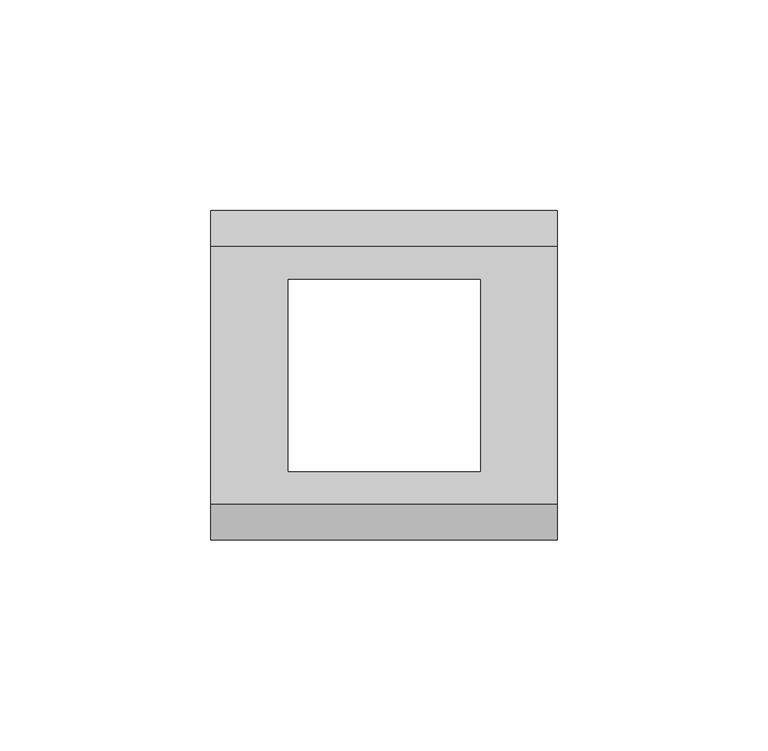
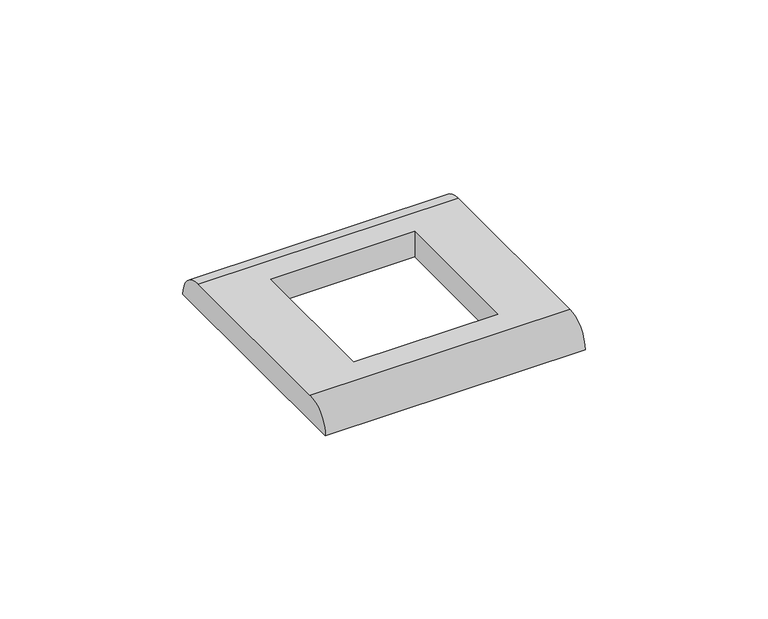
"""IFC4 building model written with IfcOpenShell, lengths in millimetres: proxy geometry."""

import ifcopenshell
import ifcopenshell.guid

model = None  # the IFC model being written
_history = None  # IfcOwnerHistory: only IFC2X3 demands one
_inside = {}  # id of a spatial element -> (the spatial element, [elements in it])
_under = {}  # id of a project, library or spatial element -> (it, [spatial elements below it])
_declared = {}  # id of a project -> (the project, [libraries it declares])
_typed = {}  # id of a type object -> (the type object, [elements of that type])
_made_of = {}  # id of a material, layer set ... -> (it, [elements and type objects made of it])


def new_model(schema):
    """Start an empty IFC model of exactly this schema.

    Asked for "IFC4X3", IfcOpenShell would pick the latest addendum, in which some entities
    have other attributes; the version numbers below select the first issue.
    IFC2X3 requires an IfcOwnerHistory on every rooted entity: one is made here for all.
    """
    global model, _history
    if schema == "IFC4X3":
        model = ifcopenshell.file(schema_version=(4, 3, 0, 0))
    else:
        model = ifcopenshell.file(schema=schema)
    _inside.clear()
    _under.clear()
    _declared.clear()
    _typed.clear()
    _made_of.clear()
    _history = None
    if model.schema == "IFC2X3":
        org = make("IfcOrganization", Name="unknown")
        user = make(
            "IfcPersonAndOrganization",
            ThePerson=make("IfcPerson", FamilyName="unknown"),
            TheOrganization=org,
        )
        app = make(
            "IfcApplication",
            ApplicationDeveloper=org,
            Version="unknown",
            ApplicationFullName="unknown",
            ApplicationIdentifier="unknown",
        )
        _history = make(
            "IfcOwnerHistory",
            OwningUser=user,
            OwningApplication=app,
            ChangeAction="ADDED",
            CreationDate=0,
        )
    return model


def make(cls, **values):
    """One entity of the class cls with the attributes given. An attribute that is None is left unset."""
    return model.create_entity(
        cls, **{name: value for name, value in values.items() if value is not None}
    )


def rooted(cls, **values):
    """An entity with a GlobalId (a new one), such as an element, a storey or a relation."""
    return make(cls, GlobalId=ifcopenshell.guid.new(), OwnerHistory=_history, **values)


def si_unit(unit_type, name, prefix=None):
    """IfcSIUnit, for example si_unit("LENGTHUNIT", "METRE", prefix="MILLI")."""
    return make("IfcSIUnit", UnitType=unit_type, Prefix=prefix, Name=name)


def assignment(units):
    """IfcUnitAssignment: the units of a project."""
    return None if units is None else make("IfcUnitAssignment", Units=units)


def point(xyz):
    """IfcCartesianPoint."""
    return None if xyz is None else make("IfcCartesianPoint", Coordinates=xyz)


def direction(xyz):
    """IfcDirection."""
    return None if xyz is None else make("IfcDirection", DirectionRatios=xyz)


def frame(location, z_axis=None, x_axis=None):
    """IfcAxis2Placement3D, a coordinate frame: its origin and axes. An axis left out is left unset."""
    return make(
        "IfcAxis2Placement3D",
        Location=point(location),
        Axis=direction(z_axis),
        RefDirection=direction(x_axis),
    )


def origin():
    """The frame at (0, 0, 0) with its axes left unset."""
    return frame((0.0, 0.0, 0.0))


def place(relative_to, where):
    """IfcLocalPlacement: puts the frame where relative to a parent placement (None: the world)."""
    return make(
        "IfcLocalPlacement", PlacementRelTo=relative_to, RelativePlacement=where
    )


def context(
    kind, dimensions, precision=None, world=None, true_north=None, identifier=None
):
    """IfcGeometricRepresentationContext, for example the 3D "Model" context."""
    return make(
        "IfcGeometricRepresentationContext",
        ContextIdentifier=identifier,
        ContextType=kind,
        CoordinateSpaceDimension=dimensions,
        Precision=precision,
        WorldCoordinateSystem=world,
        TrueNorth=true_north,
    )


def project(units=None, contexts=None):
    """IfcProject with its units and contexts."""
    return rooted(
        "IfcProject",
        Name="project",
        RepresentationContexts=contexts,
        UnitsInContext=assignment(units),
    )


def spatial(cls, under=None, at=None, **own):
    """A site, building, storey or space (cls), placed at a placement, below another one or the project."""
    s = rooted(cls, ObjectPlacement=at, **own)
    if under is not None:
        _under.setdefault(under.id(), (under, []))[1].append(s)
    return s


def circle_curve(where, radius):
    """IfcCircle in the frame where."""
    return make("IfcCircle", Position=where, Radius=radius)


def shape(context_of_items, identifier, shape_type, items):
    """IfcShapeRepresentation: the items that make up one representation, for example the "Body"."""
    return make(
        "IfcShapeRepresentation",
        ContextOfItems=context_of_items,
        RepresentationIdentifier=identifier,
        RepresentationType=shape_type,
        Items=items,
    )


def source(mapping_origin, context_of_items, identifier, shape_type, items):
    """IfcRepresentationMap: a shape defined once, which mapped items show again and again."""
    return make(
        "IfcRepresentationMap",
        MappingOrigin=mapping_origin,
        MappedRepresentation=shape(context_of_items, identifier, shape_type, items),
    )


def transform(
    local_origin,
    x_axis=None,
    y_axis=None,
    z_axis=None,
    scale=None,
    scale2=None,
    scale3=None,
    uniform=True,
):
    """IfcCartesianTransformationOperator3D, or its non-uniform kind. x_axis, y_axis, z_axis: its Axis1, 2, 3."""
    if uniform:
        return make(
            "IfcCartesianTransformationOperator3D",
            Axis1=direction(x_axis),
            Axis2=direction(y_axis),
            LocalOrigin=point(local_origin),
            Scale=scale,
            Axis3=direction(z_axis),
        )
    return make(
        "IfcCartesianTransformationOperator3DnonUniform",
        Axis1=direction(x_axis),
        Axis2=direction(y_axis),
        LocalOrigin=point(local_origin),
        Scale=scale,
        Axis3=direction(z_axis),
        Scale2=scale2,
        Scale3=scale3,
    )


def mapped(mapping_source, mapping_target):
    """IfcMappedItem: shows the shape of a source again, moved by a transform."""
    return make(
        "IfcMappedItem", MappingSource=mapping_source, MappingTarget=mapping_target
    )


def made_of(thing, what):
    """Note that an element or type object is made of a material, layer set ...; save() writes the relation."""
    if what is not None:
        _made_of.setdefault(what.id(), (what, []))[1].append(thing)
    return thing


def element(
    cls,
    number,
    at=None,
    inside=None,
    cuts=None,
    type_object=None,
    material=None,
    context=None,
    identifier="Body",
    shape_type=None,
    held_by="IfcProductDefinitionShape",
    body=None,
    shapes=None,
    **own,
):
    """One element of the class cls, such as IfcWall. Its Tag is "e" and its number.

    at: its placement. inside: the storey or other place that contains it. cuts: it is an
    opening in that element (IfcRelVoidsElement). A single representation is given by context,
    identifier, shape_type and body (its items); several are given by shapes. held_by: the class
    of the entity that holds the representations. save() writes the other relations.
    """
    e = rooted(cls, Tag="e%d" % number, ObjectPlacement=at, **own)
    if body is not None:
        shapes = [shape(context, identifier, shape_type, body)]
    if shapes is not None:
        e.Representation = make(held_by, Representations=shapes)
    if inside is not None:
        _inside.setdefault(inside.id(), (inside, []))[1].append(e)
    if cuts is not None:
        rooted(
            "IfcRelVoidsElement", RelatingBuildingElement=cuts, RelatedOpeningElement=e
        )
    if type_object is not None:
        _typed.setdefault(type_object.id(), (type_object, []))[1].append(e)
    return made_of(e, material)


def aggregate(whole, parts):
    """IfcRelAggregates: a whole, such as a stair, and the parts it consists of."""
    return rooted("IfcRelAggregates", RelatingObject=whole, RelatedObjects=parts)


def save(model, path):
    """Write the relations noted so far, then the file.

    IfcRelAggregates (storeys below a building ...), IfcRelContainedInSpatialStructure (elements
    in a storey), IfcRelDefinesByType, IfcRelAssociatesMaterial and IfcRelDeclares: one each for
    every whole, place, type object, material and project.
    """
    for whole, parts in _under.values():
        aggregate(whole, parts)
    for where, things in _inside.values():
        rooted(
            "IfcRelContainedInSpatialStructure",
            RelatedElements=things,
            RelatingStructure=where,
        )
    for kind, things in _typed.values():
        rooted("IfcRelDefinesByType", RelatedObjects=things, RelatingType=kind)
    for what, things in _made_of.values():
        rooted("IfcRelAssociatesMaterial", RelatedObjects=things, RelatingMaterial=what)
    for by, libraries in _declared.values():
        rooted("IfcRelDeclares", RelatingContext=by, RelatedDefinitions=libraries)
    model.write(path)


def plane_surface(at):
    """IfcPlane: the flat surface through the origin of the frame at, square to its z axis."""
    return make("IfcPlane", Position=at)


def cylinder_surface(at, radius):
    """IfcCylindricalSurface: all points at the distance radius from the z axis of the frame at."""
    return make("IfcCylindricalSurface", Position=at, Radius=radius)


def advanced_brep(points, edges, surfaces, faces):
    """IfcAdvancedBrep: a solid bounded by faces that lie on surfaces and meet in shared edges.

    An edge is (start, end): straight between two places in points (the first is 0);
    or (start, end, curve); or (start, end, curve, False) where it runs against its curve.
    A face is (place in surfaces, loops), or (place, loops, False) where it looks against
    its surface's normal. A loop lists edges by number (the first is 1), with a minus sign
    where the edge is run from its end to its start. The first loop is the outer one.
    """
    corners = [point(p) for p in points]
    vertices = [make("IfcVertexPoint", VertexGeometry=c) for c in corners]
    made = []
    for start, end, *more in edges:
        made.append(
            make(
                "IfcEdgeCurve",
                EdgeStart=vertices[start],
                EdgeEnd=vertices[end],
                EdgeGeometry=more[0] if more else make("IfcPolyline", Points=[corners[start], corners[end]]),
                SameSense=more[1] if len(more) > 1 else True,
            )
        )
    hull = []
    for where, loops, *sense in faces:
        bounds = []
        for j, loop in enumerate(loops):
            ring = [make("IfcOrientedEdge", EdgeElement=made[abs(k) - 1], Orientation=k > 0) for k in loop]
            bounds.append(
                make(
                    "IfcFaceOuterBound" if j == 0 else "IfcFaceBound",
                    Bound=make("IfcEdgeLoop", EdgeList=ring),
                    Orientation=True,
                )
            )
        hull.append(make("IfcAdvancedFace", Bounds=bounds, FaceSurface=surfaces[where], SameSense=sense[0] if sense else True))
    return make("IfcAdvancedBrep", Outer=make("IfcClosedShell", CfsFaces=hull))


def electrical_fixtures_3dc621bc(model_context):
    return source(origin(), model_context, "Body", "AdvancedBrep", [
        advanced_brep(
        [(41.0, 30.5, 8.5), (-41.0, 30.5, 8.5), (-41.0, -30.5, 8.5), (41.0, -30.5, 8.5), (-22.6858553, 22.75, 8.5), (22.8141447, 22.75, 8.5), (22.8141447, -22.75, 8.5), (-22.6858553, -22.75, 8.5), (41.0, 39.0, 0.0), (41.0, -39.0, 0.0), (-41.0, -39.0, 0.0), (-41.0, 39.0, 0.0), (22.8141447, 22.75, 0.0), (-22.6858553, 22.75, 0.0), (-22.6858553, -22.75, 0.0), (22.8141447, -22.75, 0.0)],
        [
            (0, 1),
            (1, 2),
            (2, 3),
            (3, 0),
            (4, 5),
            (5, 6),
            (6, 7),
            (7, 4),
            (8, 9),
            (9, 10),
            (10, 11),
            (11, 8),
            (12, 13),
            (13, 14),
            (14, 15),
            (15, 12),
            (10, 2, circle_curve(frame((-41.0, -30.5, 0.0), z_axis=(-1.0, 0.0, 0.0), x_axis=(0.0, 1.0, 0.0)), 8.5)),
            (1, 11, circle_curve(frame((-41.0, 30.5, 0.0), z_axis=(-1.0, 0.0, 0.0), x_axis=(0.0, -1.0, 0.0)), 8.5)),
            (8, 0, circle_curve(frame((41.0, 30.5, 0.0), z_axis=(1.0, 0.0, 0.0), x_axis=(0.0, -1.0, 0.0)), 8.5)),
            (3, 9, circle_curve(frame((41.0, -30.5, 0.0), z_axis=(1.0, 0.0, 0.0), x_axis=(0.0, 1.0, 0.0)), 8.5)),
            (12, 5),
            (4, 13),
            (7, 14),
            (6, 15),
        ],
        [
            plane_surface(frame((-41.0, 39.0, 8.5), z_axis=(0.0, 0.0, 1.0), x_axis=(0.0, -1.0, 0.0))),
            plane_surface(frame((-41.0, 39.0, 0.0), z_axis=(0.0, 0.0, -1.0), x_axis=(0.0, 1.0, 0.0))),
            plane_surface(frame((-41.0, 39.0, 8.5), z_axis=(-1.0, 0.0, 0.0), x_axis=(0.0, 0.0, -1.0))),
            plane_surface(frame((41.0, -39.0, 8.5), z_axis=(1.0, 0.0, 0.0), x_axis=(0.0, 0.0, -1.0))),
            plane_surface(frame((22.8141447, 22.75, 30.0), z_axis=(0.0, -1.0, 0.0), x_axis=(0.0, 0.0, -1.0))),
            plane_surface(frame((-22.6858553, 22.75, 30.0), z_axis=(1.0, 0.0, 0.0), x_axis=(0.0, 0.0, -1.0))),
            plane_surface(frame((-22.6858553, -22.75, 30.0), z_axis=(0.0, 1.0, 0.0), x_axis=(0.0, 0.0, -1.0))),
            plane_surface(frame((22.8141447, -22.75, 30.0), z_axis=(-1.0, 0.0, 0.0), x_axis=(0.0, 0.0, -1.0))),
            cylinder_surface(frame((41.0, 30.5, 0.0), z_axis=(-1.0, 0.0, 0.0), x_axis=(0.0, -1.0, 0.0)), 8.5),
            cylinder_surface(frame((41.0, -30.5, 0.0), z_axis=(-1.0, 0.0, 0.0), x_axis=(0.0, 1.0, 0.0)), 8.5),
        ],
        [
            (0, [[1, 2, 3, 4], [5, 6, 7, 8]]),
            (1, [[9, 10, 11, 12], [13, 14, 15, 16]]),
            (2, [[-11, 17, -2, 18]]),
            (3, [[-9, 19, -4, 20]]),
            (4, [[21, -5, 22, -13]]),
            (5, [[-22, -8, 23, -14]]),
            (6, [[-23, -7, 24, -15]]),
            (7, [[-21, -16, -24, -6]]),
            (8, [[-1, -19, -12, -18]]),
            (9, [[-3, -17, -10, -20]]),
        ],
    ),
    ])


if __name__ == "__main__":
    model = new_model("IFC4")
    model_context = context("Model", 3, world=origin())
    ifc_project = project(units=[si_unit("LENGTHUNIT", "METRE", prefix="MILLI")], contexts=[model_context])
    site = spatial("IfcSite", under=ifc_project)
    building = spatial("IfcBuilding", under=site)
    placement = place(None, origin())
    electrical_fixtures_shape = electrical_fixtures_3dc621bc(model_context)
    element("IfcBuildingElementProxy", 1, Name="Electrical Fixtures", at=placement, inside=building, context=model_context, shape_type="MappedRepresentation", body=[
        mapped(electrical_fixtures_shape, transform((0.0, 0.0, 0.0), x_axis=(1.0, 0.0, 0.0), y_axis=(0.0, 1.0, 0.0), z_axis=(0.0, 0.0, 1.0))),
    ])
    save(model, "model.ifc")
